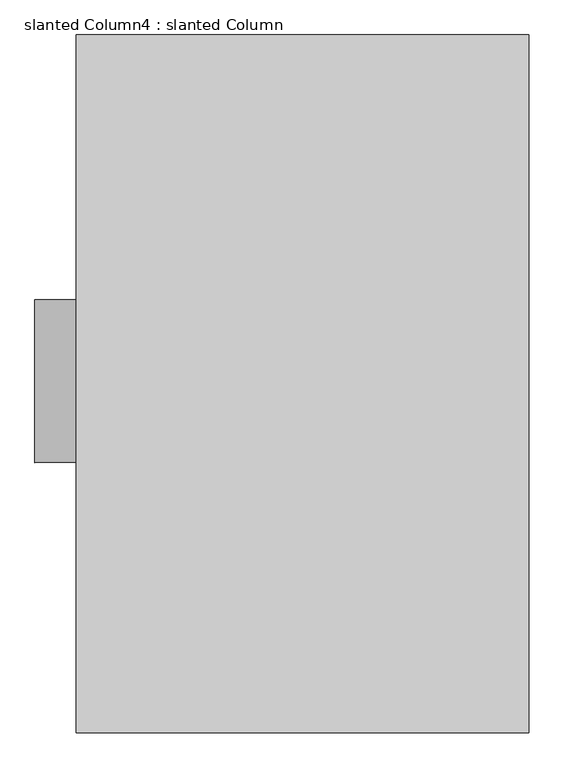
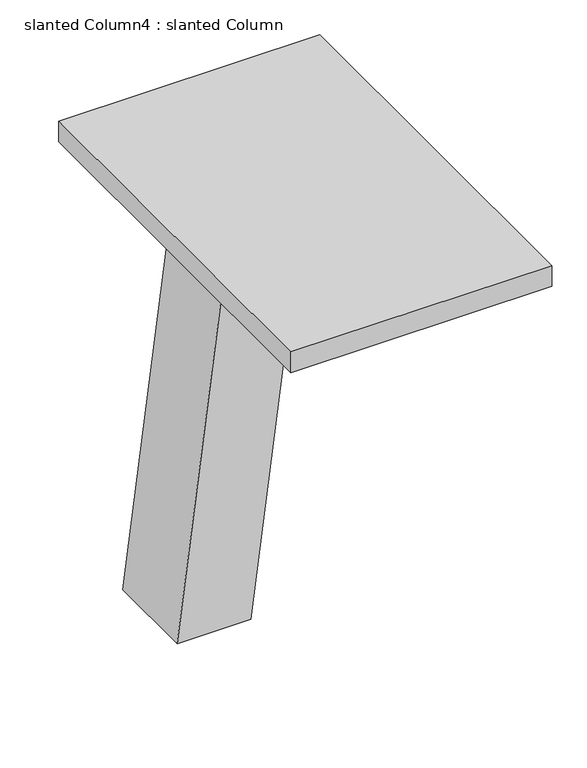
"""IFC4 building model written with IfcOpenShell, lengths in millimetres: column geometry, slanted Column4 : slanted Column."""

import ifcopenshell
import ifcopenshell.guid

model = None  # the IFC model being written
_history = None  # IfcOwnerHistory: only IFC2X3 demands one
_inside = {}  # id of a spatial element -> (the spatial element, [elements in it])
_under = {}  # id of a project, library or spatial element -> (it, [spatial elements below it])
_declared = {}  # id of a project -> (the project, [libraries it declares])
_typed = {}  # id of a type object -> (the type object, [elements of that type])
_made_of = {}  # id of a material, layer set ... -> (it, [elements and type objects made of it])


def new_model(schema):
    """Start an empty IFC model of exactly this schema.

    Asked for "IFC4X3", IfcOpenShell would pick the latest addendum, in which some entities
    have other attributes; the version numbers below select the first issue.
    IFC2X3 requires an IfcOwnerHistory on every rooted entity: one is made here for all.
    """
    global model, _history
    if schema == "IFC4X3":
        model = ifcopenshell.file(schema_version=(4, 3, 0, 0))
    else:
        model = ifcopenshell.file(schema=schema)
    _inside.clear()
    _under.clear()
    _declared.clear()
    _typed.clear()
    _made_of.clear()
    _history = None
    if model.schema == "IFC2X3":
        org = make("IfcOrganization", Name="unknown")
        user = make(
            "IfcPersonAndOrganization",
            ThePerson=make("IfcPerson", FamilyName="unknown"),
            TheOrganization=org,
        )
        app = make(
            "IfcApplication",
            ApplicationDeveloper=org,
            Version="unknown",
            ApplicationFullName="unknown",
            ApplicationIdentifier="unknown",
        )
        _history = make(
            "IfcOwnerHistory",
            OwningUser=user,
            OwningApplication=app,
            ChangeAction="ADDED",
            CreationDate=0,
        )
    return model


def make(cls, **values):
    """One entity of the class cls with the attributes given. An attribute that is None is left unset."""
    return model.create_entity(
        cls, **{name: value for name, value in values.items() if value is not None}
    )


def rooted(cls, **values):
    """An entity with a GlobalId (a new one), such as an element, a storey or a relation."""
    return make(cls, GlobalId=ifcopenshell.guid.new(), OwnerHistory=_history, **values)


def si_unit(unit_type, name, prefix=None):
    """IfcSIUnit, for example si_unit("LENGTHUNIT", "METRE", prefix="MILLI")."""
    return make("IfcSIUnit", UnitType=unit_type, Prefix=prefix, Name=name)


def assignment(units):
    """IfcUnitAssignment: the units of a project."""
    return None if units is None else make("IfcUnitAssignment", Units=units)


def point(xyz):
    """IfcCartesianPoint."""
    return None if xyz is None else make("IfcCartesianPoint", Coordinates=xyz)


def direction(xyz):
    """IfcDirection."""
    return None if xyz is None else make("IfcDirection", DirectionRatios=xyz)


def frame(location, z_axis=None, x_axis=None):
    """IfcAxis2Placement3D, a coordinate frame: its origin and axes. An axis left out is left unset."""
    return make(
        "IfcAxis2Placement3D",
        Location=point(location),
        Axis=direction(z_axis),
        RefDirection=direction(x_axis),
    )


def origin():
    """The frame at (0, 0, 0) with its axes left unset."""
    return frame((0.0, 0.0, 0.0))


def place(relative_to, where):
    """IfcLocalPlacement: puts the frame where relative to a parent placement (None: the world)."""
    return make(
        "IfcLocalPlacement", PlacementRelTo=relative_to, RelativePlacement=where
    )


def context(
    kind, dimensions, precision=None, world=None, true_north=None, identifier=None
):
    """IfcGeometricRepresentationContext, for example the 3D "Model" context."""
    return make(
        "IfcGeometricRepresentationContext",
        ContextIdentifier=identifier,
        ContextType=kind,
        CoordinateSpaceDimension=dimensions,
        Precision=precision,
        WorldCoordinateSystem=world,
        TrueNorth=true_north,
    )


def project(units=None, contexts=None):
    """IfcProject with its units and contexts."""
    return rooted(
        "IfcProject",
        Name="project",
        RepresentationContexts=contexts,
        UnitsInContext=assignment(units),
    )


def spatial(cls, under=None, at=None, **own):
    """A site, building, storey or space (cls), placed at a placement, below another one or the project."""
    s = rooted(cls, ObjectPlacement=at, **own)
    if under is not None:
        _under.setdefault(under.id(), (under, []))[1].append(s)
    return s


def polyline(points):
    """IfcPolyline through the points."""
    return make("IfcPolyline", Points=[point(p) for p in points])


def outline(outer, holes=None, kind="AREA"):
    """IfcArbitraryClosedProfileDef: a profile drawn as a closed curve; with holes, ...WithVoids."""
    if holes is None:
        return make("IfcArbitraryClosedProfileDef", ProfileType=kind, OuterCurve=outer)
    return make(
        "IfcArbitraryProfileDefWithVoids",
        ProfileType=kind,
        OuterCurve=outer,
        InnerCurves=holes,
    )


def extrude(swept, where, along, depth):
    """IfcExtrudedAreaSolid: the profile swept, set in the frame where, extruded along a direction by depth."""
    return make(
        "IfcExtrudedAreaSolid",
        SweptArea=swept,
        Position=where,
        ExtrudedDirection=direction(along),
        Depth=depth,
    )


def shape(context_of_items, identifier, shape_type, items):
    """IfcShapeRepresentation: the items that make up one representation, for example the "Body"."""
    return make(
        "IfcShapeRepresentation",
        ContextOfItems=context_of_items,
        RepresentationIdentifier=identifier,
        RepresentationType=shape_type,
        Items=items,
    )


def source(mapping_origin, context_of_items, identifier, shape_type, items):
    """IfcRepresentationMap: a shape defined once, which mapped items show again and again."""
    return make(
        "IfcRepresentationMap",
        MappingOrigin=mapping_origin,
        MappedRepresentation=shape(context_of_items, identifier, shape_type, items),
    )


def transform(
    local_origin,
    x_axis=None,
    y_axis=None,
    z_axis=None,
    scale=None,
    scale2=None,
    scale3=None,
    uniform=True,
):
    """IfcCartesianTransformationOperator3D, or its non-uniform kind. x_axis, y_axis, z_axis: its Axis1, 2, 3."""
    if uniform:
        return make(
            "IfcCartesianTransformationOperator3D",
            Axis1=direction(x_axis),
            Axis2=direction(y_axis),
            LocalOrigin=point(local_origin),
            Scale=scale,
            Axis3=direction(z_axis),
        )
    return make(
        "IfcCartesianTransformationOperator3DnonUniform",
        Axis1=direction(x_axis),
        Axis2=direction(y_axis),
        LocalOrigin=point(local_origin),
        Scale=scale,
        Axis3=direction(z_axis),
        Scale2=scale2,
        Scale3=scale3,
    )


def mapped(mapping_source, mapping_target):
    """IfcMappedItem: shows the shape of a source again, moved by a transform."""
    return make(
        "IfcMappedItem", MappingSource=mapping_source, MappingTarget=mapping_target
    )


def made_of(thing, what):
    """Note that an element or type object is made of a material, layer set ...; save() writes the relation."""
    if what is not None:
        _made_of.setdefault(what.id(), (what, []))[1].append(thing)
    return thing


def element(
    cls,
    number,
    at=None,
    inside=None,
    cuts=None,
    type_object=None,
    material=None,
    context=None,
    identifier="Body",
    shape_type=None,
    held_by="IfcProductDefinitionShape",
    body=None,
    shapes=None,
    **own,
):
    """One element of the class cls, such as IfcWall. Its Tag is "e" and its number.

    at: its placement. inside: the storey or other place that contains it. cuts: it is an
    opening in that element (IfcRelVoidsElement). A single representation is given by context,
    identifier, shape_type and body (its items); several are given by shapes. held_by: the class
    of the entity that holds the representations. save() writes the other relations.
    """
    e = rooted(cls, Tag="e%d" % number, ObjectPlacement=at, **own)
    if body is not None:
        shapes = [shape(context, identifier, shape_type, body)]
    if shapes is not None:
        e.Representation = make(held_by, Representations=shapes)
    if inside is not None:
        _inside.setdefault(inside.id(), (inside, []))[1].append(e)
    if cuts is not None:
        rooted(
            "IfcRelVoidsElement", RelatingBuildingElement=cuts, RelatedOpeningElement=e
        )
    if type_object is not None:
        _typed.setdefault(type_object.id(), (type_object, []))[1].append(e)
    return made_of(e, material)


def aggregate(whole, parts):
    """IfcRelAggregates: a whole, such as a stair, and the parts it consists of."""
    return rooted("IfcRelAggregates", RelatingObject=whole, RelatedObjects=parts)


def save(model, path):
    """Write the relations noted so far, then the file.

    IfcRelAggregates (storeys below a building ...), IfcRelContainedInSpatialStructure (elements
    in a storey), IfcRelDefinesByType, IfcRelAssociatesMaterial and IfcRelDeclares: one each for
    every whole, place, type object, material and project.
    """
    for whole, parts in _under.values():
        aggregate(whole, parts)
    for where, things in _inside.values():
        rooted(
            "IfcRelContainedInSpatialStructure",
            RelatedElements=things,
            RelatingStructure=where,
        )
    for kind, things in _typed.values():
        rooted("IfcRelDefinesByType", RelatedObjects=things, RelatingType=kind)
    for what, things in _made_of.values():
        rooted("IfcRelAssociatesMaterial", RelatedObjects=things, RelatingMaterial=what)
    for by, libraries in _declared.values():
        rooted("IfcRelDeclares", RelatingContext=by, RelatedDefinitions=libraries)
    model.write(path)


def slanted_column4_slanted_column_0db927a8(model_context):
    return source(origin(), model_context, "Body", "SweptSolid", [
        extrude(outline(polyline([(396.7967061, 28524.2000066), (2374.8835239, 28524.2000066), (2374.8835239, 25476.2000066), (396.7967061, 25476.2000066), (396.7967061, 28524.2000066)])), frame((0.0, 0.0, 2825.75), z_axis=(0.0, 0.0, 1.0), x_axis=(1.0, 0.0, 0.0)), (0.0, 0.0, 1.0), 165.1),
        extrude(outline(polyline([(0.0, 215.8975323), (0.0, 774.6975323), (2825.75, 1130.2975323), (2825.75, 571.4975323), (0.0, 215.8975323)])), frame((0.0, 26657.3000064, 0.0), z_axis=(0.0, 1.0, 0.0), x_axis=(0.0, 0.0, 1.0)), (0.0, 0.0, 1.0), 711.2),
    ])


if __name__ == "__main__":
    model = new_model("IFC4")
    model_context = context("Model", 3, world=origin())
    ifc_project = project(units=[si_unit("LENGTHUNIT", "METRE", prefix="MILLI")], contexts=[model_context])
    site = spatial("IfcSite", under=ifc_project)
    building = spatial("IfcBuilding", under=site)
    placement = place(None, origin())
    slanted_column4_slanted_column_shape = slanted_column4_slanted_column_0db927a8(model_context)
    element("IfcColumn", 1, ObjectType="slanted Column4 : slanted Column", at=placement, inside=building, context=model_context, shape_type="MappedRepresentation", body=[
        mapped(slanted_column4_slanted_column_shape, transform((0.0, 0.0, 0.0), x_axis=(1.0, 0.0, 0.0), y_axis=(0.0, 1.0, 0.0), z_axis=(0.0, 0.0, 1.0))),
    ])
    save(model, "model.ifc")
